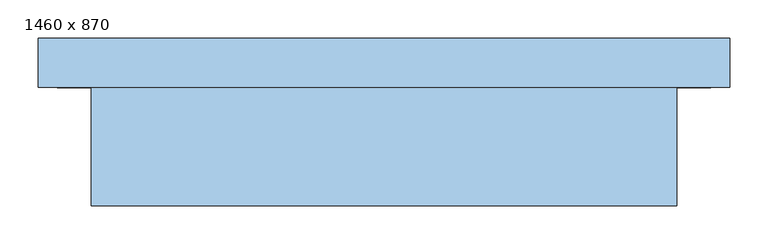
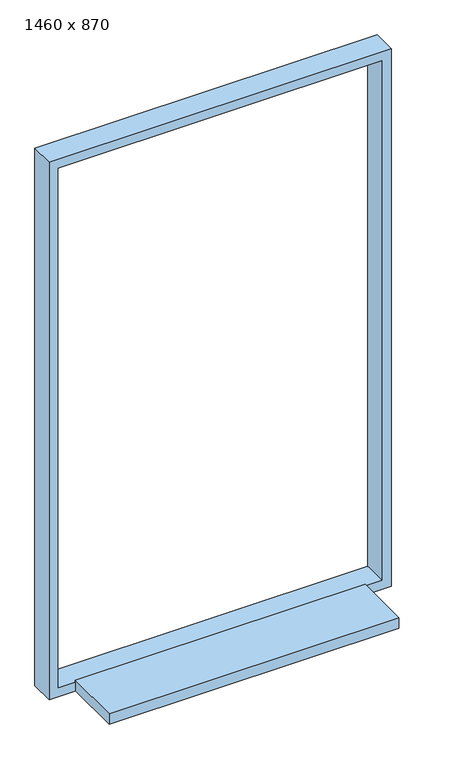
"""IFC4 building model written with IfcOpenShell, lengths in millimetres: window geometry, 1460 x 870."""

from ifc_helpers import new_model, si_unit, frame, origin, place, context, project, spatial, polyline, outline, extrude, source, transform, mapped, element, save


def window_1460_x_870_71e17f46(model_context):
    return source(origin(), model_context, "Body", "SweptSolid", [
        extrude(outline(polyline([(346.9, -120.0), (346.9, -275.0), (-423.1, -275.0), (-423.1, -120.0), (346.9, -120.0)])), frame((0.0, 0.0, 800.0), z_axis=(0.0, 0.0, 1.0), x_axis=(1.0, 0.0, 0.0)), (0.0, 0.0, 1.0), 30.0),
        extrude(outline(polyline([(2310.0, -493.1), (800.0, -493.1), (800.0, 416.9), (2310.0, 416.9), (2310.0, -493.1)]), holes=[polyline([(825.0, -468.1), (2285.0, -468.1), (2285.0, 391.9), (825.0, 391.9), (825.0, -468.1)])]), frame((0.0, -120.0, 0.0), z_axis=(0.0, 1.0, 0.0), x_axis=(0.0, 0.0, 1.0)), (0.0, 0.0, 1.0), 65.0),
    ])


if __name__ == "__main__":
    model = new_model("IFC4")
    model_context = context("Model", 3, world=origin())
    ifc_project = project(units=[si_unit("LENGTHUNIT", "METRE", prefix="MILLI")], contexts=[model_context])
    site = spatial("IfcSite", under=ifc_project)
    building = spatial("IfcBuilding", under=site)
    placement = place(None, origin())
    window_1460_x_870_shape = window_1460_x_870_71e17f46(model_context)
    element("IfcWindow", 1, ObjectType="1460 x 870", at=placement, inside=building, context=model_context, shape_type="MappedRepresentation", body=[
        mapped(window_1460_x_870_shape, transform((0.0, 0.0, 0.0), x_axis=(1.0, 0.0, 0.0), y_axis=(0.0, 1.0, 0.0), z_axis=(0.0, 0.0, 1.0))),
    ])
    save(model, "model.ifc")
